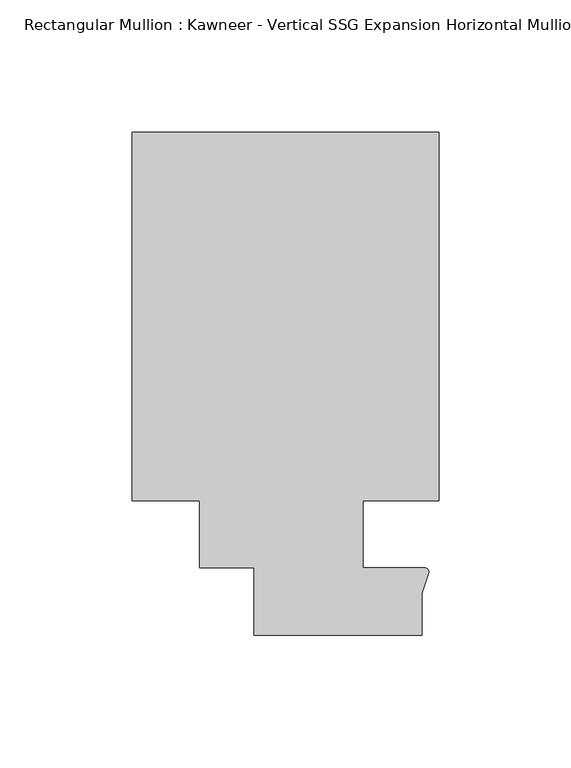
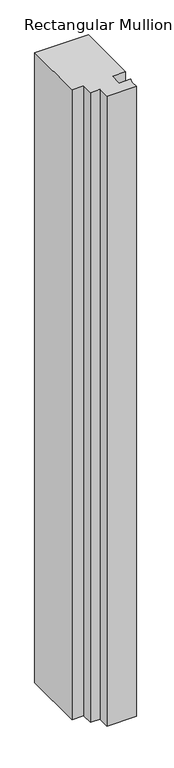
"""IFC4 building model written with IfcOpenShell, lengths in millimetres: member geometry."""

from ifc_helpers import new_model, si_unit, point, frame, frame_2d, origin, place, context, project, spatial, polyline, circle_curve, trimmed, segment, composite_curve, outline, extrude, source, transform, mapped, element, save


def member_1114e56e(model_context):
    return source(origin(), model_context, "Body", "SweptSolid", [
        extrude(outline(composite_curve([segment(trimmed(circle_curve(frame_2d((48.2162832, -14.401412)), 1.703369), [point((48.2997293, -12.7000881))], [point((49.9159011, -14.2884292))], False, "CARTESIAN"), True, "CONTINUOUS"), segment(polyline([(49.9159011, -14.2884292), (47.265046, -22.2250977), (47.265046, -38.1), (-16.234954, -38.1), (-16.234954, -12.7), (-36.8958768, -12.7), (-36.8958768, 12.7), (-62.2957636, 12.7), (-62.2957636, 151.892), (53.615046, 151.892), (53.615046, 12.7), (25.0401592, 12.7), (25.0401592, -12.7000881), (48.2997293, -12.7000881)]), True, "CONTINUOUS")], self_intersect=False)), frame((0.0, 0.0, -1437.1931847), z_axis=(0.0, 0.0, 1.0), x_axis=(1.0, 0.0, 0.0)), (0.0, 0.0, 1.0), 1437.1931847),
    ])


if __name__ == "__main__":
    model = new_model("IFC4")
    model_context = context("Model", 3, world=origin())
    ifc_project = project(units=[si_unit("LENGTHUNIT", "METRE", prefix="MILLI")], contexts=[model_context])
    site = spatial("IfcSite", under=ifc_project)
    building = spatial("IfcBuilding", under=site)
    placement = place(None, origin())
    member_shape = member_1114e56e(model_context)
    element("IfcMember", 1, ObjectType="Rectangular Mullion : Kawneer - Vertical SSG Expansion Horizontal Mullion - 7 1/2\"", at=placement, inside=building, context=model_context, shape_type="MappedRepresentation", body=[
        mapped(member_shape, transform((0.0, 0.0, 0.0), x_axis=(1.0, 0.0, 0.0), y_axis=(0.0, 1.0, 0.0), z_axis=(0.0, 0.0, 1.0))),
    ])
    save(model, "model.ifc")
